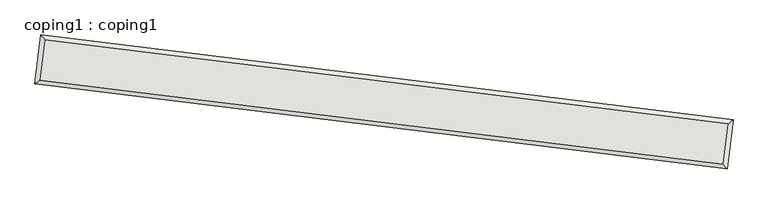
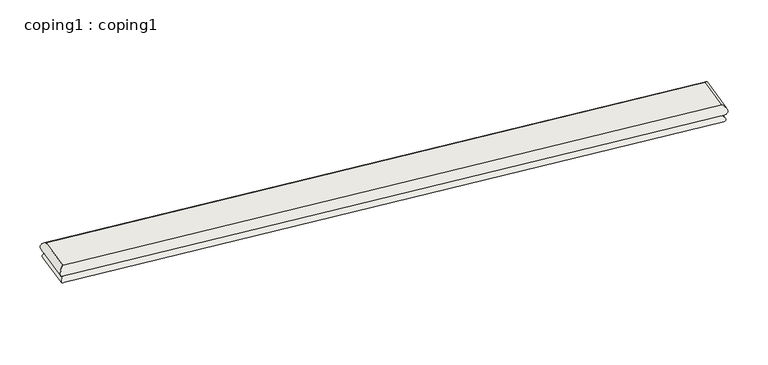
"""IFC4 building model written with IfcOpenShell, lengths in millimetres: wall geometry, coping1 : coping1."""

from ifc_helpers import new_model, si_unit, frame, origin, place, context, project, spatial, ellipse_curve, source, transform, mapped, element, save
from ifc_brep_helpers import plane_surface, cylinder_surface, advanced_brep


def coping1_coping1_bbc50642(model_context):
    return source(origin(), model_context, "Body", "AdvancedBrep", [
        advanced_brep(
        [(1147.1595492, 1671.9996781, 6153.15), (1147.1595492, 1671.9996781, 6248.4), (1184.3053251, 1974.5277451, 6248.4), (1184.3053251, 1974.5277451, 6153.15), (1184.3053251, 1974.5277451, 6096.0), (1147.1595492, 1671.9996781, 6096.0), (6276.8611199, 1349.240518, 6248.4), (6276.8611199, 1349.240518, 6153.15), (6276.8611199, 1349.240518, 6096.0), (6239.7153441, 1046.7124509, 6248.4), (6239.7153441, 1046.7124509, 6153.15), (6239.7153441, 1046.7124509, 6096.0)],
        [
            (0, 1, ellipse_curve(frame((1170.4793998, 1690.2191421, 6200.775), z_axis=(-0.6156614753256541, 0.7880107536067251, 0.0), x_axis=(-0.7880107536067252, -0.6156614753256543, 0.0)), 73.5666062, 52.0194461)),
            (1, 2),
            (2, 3, ellipse_curve(frame((1202.5247891, 1951.2078946, 6200.775), z_axis=(-0.7880107536067252, -0.6156614753256541, 0.0), x_axis=(0.6156614753256541, -0.7880107536067252, 0.0)), 73.5666062, 52.0194461)),
            (3, 0),
            (3, 4, ellipse_curve(frame((1193.4224398, 1962.8583705, 6124.575), z_axis=(-0.7880107536067252, -0.6156614753256541, 0.0), x_axis=(0.6156614753256541, -0.7880107536067252, 0.0)), 43.0390211, 30.4331837)),
            (4, 5),
            (5, 0, ellipse_curve(frame((1158.8289239, 1681.1167928, 6124.575), z_axis=(-0.6156614753256541, 0.7880107536067251, 0.0), x_axis=(-0.7880107536067252, -0.6156614753256543, 0.0)), 43.0390211, 30.4331837)),
            (2, 6),
            (6, 7, ellipse_curve(frame((6253.5412694, 1331.0210539, 6200.775), z_axis=(-0.6156614753256564, 0.7880107536067236, 0.0), x_axis=(-0.7880107536067233, -0.6156614753256565, 0.0)), 73.5666062, 52.0194461)),
            (7, 3),
            (7, 8, ellipse_curve(frame((6265.1917453, 1340.1234033, 6124.575), z_axis=(-0.6156614753256564, 0.7880107536067236, 0.0), x_axis=(-0.7880107536067233, -0.6156614753256565, 0.0)), 43.0390211, 30.4331837)),
            (8, 4),
            (6, 9),
            (9, 10, ellipse_curve(frame((6221.49588, 1070.0323015, 6200.775), z_axis=(0.7880107536067235, 0.6156614753256563, 0.0), x_axis=(-0.6156614753256562, 0.7880107536067236, 0.0)), 73.5666062, 52.0194461)),
            (10, 7),
            (10, 11, ellipse_curve(frame((6230.5982294, 1058.3818256, 6124.575), z_axis=(0.7880107536067235, 0.6156614753256563, 0.0), x_axis=(-0.6156614753256562, 0.7880107536067236, 0.0)), 43.0390211, 30.4331837)),
            (11, 8),
            (11, 5),
            (1, 9),
            (0, 10),
        ],
        [
            cylinder_surface(frame((1174.1201691, 1719.8708293, 6200.775), z_axis=(-0.12186934340515507, -0.9925461516413211, 0.0), x_axis=(0.9925461516413211, -0.12186934340515507, 0.0)), 52.0194461),
            cylinder_surface(frame((1163.7437565, 1721.1448926, 6124.575), z_axis=(-0.12186934340515507, -0.9925461516413211, 0.0), x_axis=(0.9925461516413211, -0.12186934340515507, 0.0)), 30.4331837),
            cylinder_surface(frame((1232.1764763, 1947.5671252, 6200.775), z_axis=(-0.9925461516413217, 0.12186934340515038, 0.0), x_axis=(-0.12186934340515038, -0.9925461516413217, 0.0)), 52.0194461),
            cylinder_surface(frame((1233.4505396, 1957.9435378, 6124.575), z_axis=(-0.9925461516413217, 0.12186934340515038, 0.0), x_axis=(-0.12186934340515038, -0.9925461516413217, 0.0)), 30.4331837),
            cylinder_surface(frame((6249.9005, 1301.3693667, 6200.775), z_axis=(0.12186934340514949, 0.9925461516413218, 0.0), x_axis=(-0.9925461516413218, 0.12186934340514949, 0.0)), 52.0194461),
            cylinder_surface(frame((6260.2769126, 1300.0953034, 6124.575), z_axis=(0.12186934340514949, 0.9925461516413218, 0.0), x_axis=(-0.9925461516413218, 0.12186934340514949, 0.0)), 30.4331837),
            plane_surface(frame((6239.7153441, 1046.7124509, 6096.0), z_axis=(0.0, 0.0, -1.0), x_axis=(-0.9925461516413217, 0.12186934340515063, 0.0))),
            plane_surface(frame((6195.4849622, 1103.3247581, 6248.4), z_axis=(0.0, 0.0, 1.0), x_axis=(-0.9925461516413217, 0.12186934340515045, 0.0))),
            cylinder_surface(frame((6191.8441928, 1073.6730709, 6200.775), z_axis=(0.9925461516413217, -0.12186934340515042, 0.0), x_axis=(0.12186934340515042, 0.9925461516413217, 0.0)), 52.0194461),
            cylinder_surface(frame((6190.5701295, 1063.2966583, 6124.575), z_axis=(0.9925461516413217, -0.12186934340515042, 0.0), x_axis=(0.12186934340515042, 0.9925461516413217, 0.0)), 30.4331837),
        ],
        [
            (0, [[1, 2, 3, 4]]),
            (1, [[-4, 5, 6, 7]]),
            (2, [[-3, 8, 9, 10]]),
            (3, [[-5, -10, 11, 12]]),
            (4, [[-9, 13, 14, 15]]),
            (5, [[-11, -15, 16, 17]]),
            (6, [[-6, -12, -17, 18]]),
            (7, [[-2, 19, -13, -8]]),
            (8, [[-1, 20, -14, -19]]),
            (9, [[-7, -18, -16, -20]]),
        ],
    ),
    ])


if __name__ == "__main__":
    model = new_model("IFC4")
    model_context = context("Model", 3, world=origin())
    ifc_project = project(units=[si_unit("LENGTHUNIT", "METRE", prefix="MILLI")], contexts=[model_context])
    site = spatial("IfcSite", under=ifc_project)
    building = spatial("IfcBuilding", under=site)
    placement = place(None, origin())
    coping1_coping1_shape = coping1_coping1_bbc50642(model_context)
    element("IfcWall", 1, ObjectType="coping1 : coping1", at=placement, inside=building, context=model_context, shape_type="MappedRepresentation", body=[
        mapped(coping1_coping1_shape, transform((0.0, 0.0, 0.0), x_axis=(1.0, 0.0, 0.0), y_axis=(0.0, 1.0, 0.0), z_axis=(0.0, 0.0, 1.0))),
    ])
    save(model, "model.ifc")
